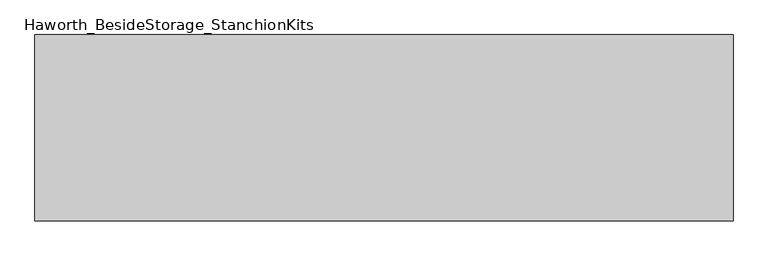
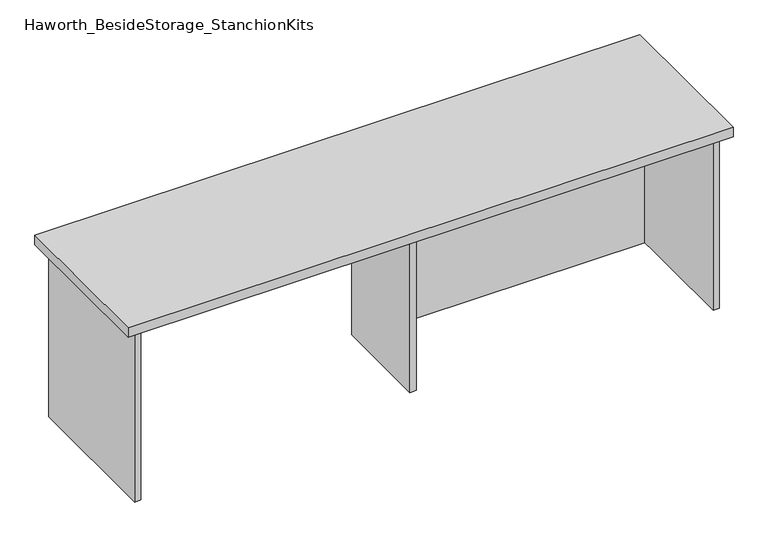
"""IFC4 building model written with IfcOpenShell, lengths in millimetres: furniture geometry, Haworth_BesideStorage_StanchionKits."""

from ifc_helpers import new_model, si_unit, frame, origin, place, context, project, spatial, polyline, outline, extrude, source, transform, mapped, element, save


def haworth_besidestorage_stanchionkits_2db51122(model_context):
    return source(origin(), model_context, "Body", "SweptSolid", [
        extrude(outline(polyline([(923.925, 0.0), (923.925, -406.4), (-600.075, -406.4), (-600.075, 0.0), (923.925, 0.0)])), frame((0.0, 0.0, 889.0), z_axis=(0.0, 0.0, 1.0), x_axis=(1.0, 0.0, 0.0)), (0.0, 0.0, 1.0), 25.4),
        extrude(outline(polyline([(169.8625, -76.2), (882.65, -76.2), (882.65, -92.075), (169.8625, -92.075), (169.8625, -76.2)])), frame((0.0, 0.0, 431.8), z_axis=(0.0, 0.0, 1.0), x_axis=(1.0, 0.0, 0.0)), (0.0, 0.0, 1.0), 457.2),
        extrude(outline(polyline([(169.8625, -330.2), (153.9875, -330.2), (153.9875, -76.2), (169.8625, -76.2), (169.8625, -330.2)])), frame((0.0, 0.0, 431.8), z_axis=(0.0, 0.0, 1.0), x_axis=(1.0, 0.0, 0.0)), (0.0, 0.0, 1.0), 457.2),
        extrude(outline(polyline([(898.525, -390.525), (882.65, -390.525), (882.65, -15.875), (898.525, -15.875), (898.525, -390.525)])), frame((0.0, 0.0, 431.8), z_axis=(0.0, 0.0, 1.0), x_axis=(1.0, 0.0, 0.0)), (0.0, 0.0, 1.0), 457.2),
        extrude(outline(polyline([(-558.8, -390.525), (-574.675, -390.525), (-574.675, -15.875), (-558.8, -15.875), (-558.8, -390.525)])), frame((0.0, 0.0, 431.8), z_axis=(0.0, 0.0, 1.0), x_axis=(1.0, 0.0, 0.0)), (0.0, 0.0, 1.0), 457.2),
    ])


if __name__ == "__main__":
    model = new_model("IFC4")
    model_context = context("Model", 3, world=origin())
    ifc_project = project(units=[si_unit("LENGTHUNIT", "METRE", prefix="MILLI")], contexts=[model_context])
    site = spatial("IfcSite", under=ifc_project)
    building = spatial("IfcBuilding", under=site)
    placement = place(None, origin())
    haworth_besidestorage_stanchionkits_shape = haworth_besidestorage_stanchionkits_2db51122(model_context)
    element("IfcFurniture", 1, ObjectType="Haworth_BesideStorage_StanchionKits", at=placement, inside=building, context=model_context, shape_type="MappedRepresentation", body=[
        mapped(haworth_besidestorage_stanchionkits_shape, transform((0.0, 0.0, 0.0), x_axis=(1.0, 0.0, 0.0), y_axis=(0.0, 1.0, 0.0), z_axis=(0.0, 0.0, 1.0))),
    ])
    save(model, "model.ifc")
